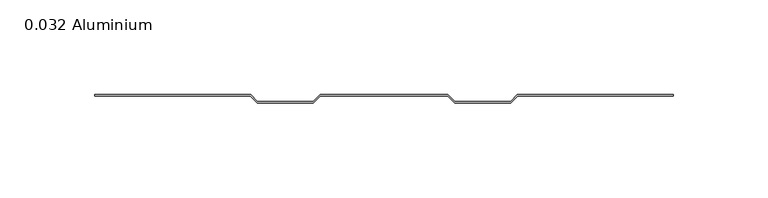
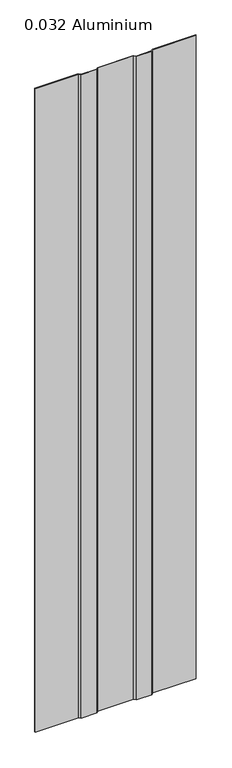
"""IFC4 building model written with IfcOpenShell, lengths in millimetres: plate geometry, 0.032 Aluminium."""

import ifcopenshell
import ifcopenshell.guid

model = None  # the IFC model being written
_history = None  # IfcOwnerHistory: only IFC2X3 demands one
_inside = {}  # id of a spatial element -> (the spatial element, [elements in it])
_under = {}  # id of a project, library or spatial element -> (it, [spatial elements below it])
_declared = {}  # id of a project -> (the project, [libraries it declares])
_typed = {}  # id of a type object -> (the type object, [elements of that type])
_made_of = {}  # id of a material, layer set ... -> (it, [elements and type objects made of it])


def new_model(schema):
    """Start an empty IFC model of exactly this schema.

    Asked for "IFC4X3", IfcOpenShell would pick the latest addendum, in which some entities
    have other attributes; the version numbers below select the first issue.
    IFC2X3 requires an IfcOwnerHistory on every rooted entity: one is made here for all.
    """
    global model, _history
    if schema == "IFC4X3":
        model = ifcopenshell.file(schema_version=(4, 3, 0, 0))
    else:
        model = ifcopenshell.file(schema=schema)
    _inside.clear()
    _under.clear()
    _declared.clear()
    _typed.clear()
    _made_of.clear()
    _history = None
    if model.schema == "IFC2X3":
        org = make("IfcOrganization", Name="unknown")
        user = make(
            "IfcPersonAndOrganization",
            ThePerson=make("IfcPerson", FamilyName="unknown"),
            TheOrganization=org,
        )
        app = make(
            "IfcApplication",
            ApplicationDeveloper=org,
            Version="unknown",
            ApplicationFullName="unknown",
            ApplicationIdentifier="unknown",
        )
        _history = make(
            "IfcOwnerHistory",
            OwningUser=user,
            OwningApplication=app,
            ChangeAction="ADDED",
            CreationDate=0,
        )
    return model


def make(cls, **values):
    """One entity of the class cls with the attributes given. An attribute that is None is left unset."""
    return model.create_entity(
        cls, **{name: value for name, value in values.items() if value is not None}
    )


def rooted(cls, **values):
    """An entity with a GlobalId (a new one), such as an element, a storey or a relation."""
    return make(cls, GlobalId=ifcopenshell.guid.new(), OwnerHistory=_history, **values)


def si_unit(unit_type, name, prefix=None):
    """IfcSIUnit, for example si_unit("LENGTHUNIT", "METRE", prefix="MILLI")."""
    return make("IfcSIUnit", UnitType=unit_type, Prefix=prefix, Name=name)


def assignment(units):
    """IfcUnitAssignment: the units of a project."""
    return None if units is None else make("IfcUnitAssignment", Units=units)


def point(xyz):
    """IfcCartesianPoint."""
    return None if xyz is None else make("IfcCartesianPoint", Coordinates=xyz)


def direction(xyz):
    """IfcDirection."""
    return None if xyz is None else make("IfcDirection", DirectionRatios=xyz)


def frame(location, z_axis=None, x_axis=None):
    """IfcAxis2Placement3D, a coordinate frame: its origin and axes. An axis left out is left unset."""
    return make(
        "IfcAxis2Placement3D",
        Location=point(location),
        Axis=direction(z_axis),
        RefDirection=direction(x_axis),
    )


def origin():
    """The frame at (0, 0, 0) with its axes left unset."""
    return frame((0.0, 0.0, 0.0))


def origin_with_axes():
    """The frame at (0, 0, 0) with the z axis (0, 0, 1) and the x axis (1, 0, 0) written out."""
    return frame((0.0, 0.0, 0.0), z_axis=(0.0, 0.0, 1.0), x_axis=(1.0, 0.0, 0.0))


def place(relative_to, where):
    """IfcLocalPlacement: puts the frame where relative to a parent placement (None: the world)."""
    return make(
        "IfcLocalPlacement", PlacementRelTo=relative_to, RelativePlacement=where
    )


def context(
    kind, dimensions, precision=None, world=None, true_north=None, identifier=None
):
    """IfcGeometricRepresentationContext, for example the 3D "Model" context."""
    return make(
        "IfcGeometricRepresentationContext",
        ContextIdentifier=identifier,
        ContextType=kind,
        CoordinateSpaceDimension=dimensions,
        Precision=precision,
        WorldCoordinateSystem=world,
        TrueNorth=true_north,
    )


def project(units=None, contexts=None):
    """IfcProject with its units and contexts."""
    return rooted(
        "IfcProject",
        Name="project",
        RepresentationContexts=contexts,
        UnitsInContext=assignment(units),
    )


def spatial(cls, under=None, at=None, **own):
    """A site, building, storey or space (cls), placed at a placement, below another one or the project."""
    s = rooted(cls, ObjectPlacement=at, **own)
    if under is not None:
        _under.setdefault(under.id(), (under, []))[1].append(s)
    return s


def polyline(points):
    """IfcPolyline through the points."""
    return make("IfcPolyline", Points=[point(p) for p in points])


def outline(outer, holes=None, kind="AREA"):
    """IfcArbitraryClosedProfileDef: a profile drawn as a closed curve; with holes, ...WithVoids."""
    if holes is None:
        return make("IfcArbitraryClosedProfileDef", ProfileType=kind, OuterCurve=outer)
    return make(
        "IfcArbitraryProfileDefWithVoids",
        ProfileType=kind,
        OuterCurve=outer,
        InnerCurves=holes,
    )


def extrude(swept, where, along, depth):
    """IfcExtrudedAreaSolid: the profile swept, set in the frame where, extruded along a direction by depth."""
    return make(
        "IfcExtrudedAreaSolid",
        SweptArea=swept,
        Position=where,
        ExtrudedDirection=direction(along),
        Depth=depth,
    )


def shape(context_of_items, identifier, shape_type, items):
    """IfcShapeRepresentation: the items that make up one representation, for example the "Body"."""
    return make(
        "IfcShapeRepresentation",
        ContextOfItems=context_of_items,
        RepresentationIdentifier=identifier,
        RepresentationType=shape_type,
        Items=items,
    )


def source(mapping_origin, context_of_items, identifier, shape_type, items):
    """IfcRepresentationMap: a shape defined once, which mapped items show again and again."""
    return make(
        "IfcRepresentationMap",
        MappingOrigin=mapping_origin,
        MappedRepresentation=shape(context_of_items, identifier, shape_type, items),
    )


def transform(
    local_origin,
    x_axis=None,
    y_axis=None,
    z_axis=None,
    scale=None,
    scale2=None,
    scale3=None,
    uniform=True,
):
    """IfcCartesianTransformationOperator3D, or its non-uniform kind. x_axis, y_axis, z_axis: its Axis1, 2, 3."""
    if uniform:
        return make(
            "IfcCartesianTransformationOperator3D",
            Axis1=direction(x_axis),
            Axis2=direction(y_axis),
            LocalOrigin=point(local_origin),
            Scale=scale,
            Axis3=direction(z_axis),
        )
    return make(
        "IfcCartesianTransformationOperator3DnonUniform",
        Axis1=direction(x_axis),
        Axis2=direction(y_axis),
        LocalOrigin=point(local_origin),
        Scale=scale,
        Axis3=direction(z_axis),
        Scale2=scale2,
        Scale3=scale3,
    )


def mapped(mapping_source, mapping_target):
    """IfcMappedItem: shows the shape of a source again, moved by a transform."""
    return make(
        "IfcMappedItem", MappingSource=mapping_source, MappingTarget=mapping_target
    )


def made_of(thing, what):
    """Note that an element or type object is made of a material, layer set ...; save() writes the relation."""
    if what is not None:
        _made_of.setdefault(what.id(), (what, []))[1].append(thing)
    return thing


def element(
    cls,
    number,
    at=None,
    inside=None,
    cuts=None,
    type_object=None,
    material=None,
    context=None,
    identifier="Body",
    shape_type=None,
    held_by="IfcProductDefinitionShape",
    body=None,
    shapes=None,
    **own,
):
    """One element of the class cls, such as IfcWall. Its Tag is "e" and its number.

    at: its placement. inside: the storey or other place that contains it. cuts: it is an
    opening in that element (IfcRelVoidsElement). A single representation is given by context,
    identifier, shape_type and body (its items); several are given by shapes. held_by: the class
    of the entity that holds the representations. save() writes the other relations.
    """
    e = rooted(cls, Tag="e%d" % number, ObjectPlacement=at, **own)
    if body is not None:
        shapes = [shape(context, identifier, shape_type, body)]
    if shapes is not None:
        e.Representation = make(held_by, Representations=shapes)
    if inside is not None:
        _inside.setdefault(inside.id(), (inside, []))[1].append(e)
    if cuts is not None:
        rooted(
            "IfcRelVoidsElement", RelatingBuildingElement=cuts, RelatedOpeningElement=e
        )
    if type_object is not None:
        _typed.setdefault(type_object.id(), (type_object, []))[1].append(e)
    return made_of(e, material)


def aggregate(whole, parts):
    """IfcRelAggregates: a whole, such as a stair, and the parts it consists of."""
    return rooted("IfcRelAggregates", RelatingObject=whole, RelatedObjects=parts)


def save(model, path):
    """Write the relations noted so far, then the file.

    IfcRelAggregates (storeys below a building ...), IfcRelContainedInSpatialStructure (elements
    in a storey), IfcRelDefinesByType, IfcRelAssociatesMaterial and IfcRelDeclares: one each for
    every whole, place, type object, material and project.
    """
    for whole, parts in _under.values():
        aggregate(whole, parts)
    for where, things in _inside.values():
        rooted(
            "IfcRelContainedInSpatialStructure",
            RelatedElements=things,
            RelatingStructure=where,
        )
    for kind, things in _typed.values():
        rooted("IfcRelDefinesByType", RelatedObjects=things, RelatingType=kind)
    for what, things in _made_of.values():
        rooted("IfcRelAssociatesMaterial", RelatedObjects=things, RelatingMaterial=what)
    for by, libraries in _declared.values():
        rooted("IfcRelDeclares", RelatingContext=by, RelatedDefinitions=libraries)
    model.write(path)


def plate_0_032_aluminium_1d77b2c9(model_context):
    return source(origin(), model_context, "Body", "SweptSolid", [
        extrude(outline(polyline([(-70.35546, 0.8128), (-66.80708, -2.73558), (-37.26688, -2.73558), (-33.7185, 0.8128), (33.7185, 0.8128), (37.26688, -2.73558), (66.80708, -2.73558), (70.35546, 0.8128), (152.4, 0.8128), (152.4, 0.0), (70.419167, 0.0), (66.870787, -3.54838), (37.203173, -3.54838), (33.654793, 0.0), (-33.654793, 0.0), (-37.203173, -3.54838), (-66.870787, -3.54838), (-70.419167, 0.0), (-152.4, 0.0), (-152.4, 0.8128), (-70.35546, 0.8128)])), origin_with_axes(), (0.0, 0.0, 1.0), 1285.875),
    ])


if __name__ == "__main__":
    model = new_model("IFC4")
    model_context = context("Model", 3, world=origin())
    ifc_project = project(units=[si_unit("LENGTHUNIT", "METRE", prefix="MILLI")], contexts=[model_context])
    site = spatial("IfcSite", under=ifc_project)
    building = spatial("IfcBuilding", under=site)
    placement = place(None, origin())
    plate_0_032_aluminium_shape = plate_0_032_aluminium_1d77b2c9(model_context)
    element("IfcPlate", 1, ObjectType="0.032 Aluminium", at=placement, inside=building, context=model_context, shape_type="MappedRepresentation", body=[
        mapped(plate_0_032_aluminium_shape, transform((0.0, 0.0, 0.0), x_axis=(1.0, 0.0, 0.0), y_axis=(0.0, 1.0, 0.0), z_axis=(0.0, 0.0, 1.0))),
    ])
    save(model, "model.ifc")
